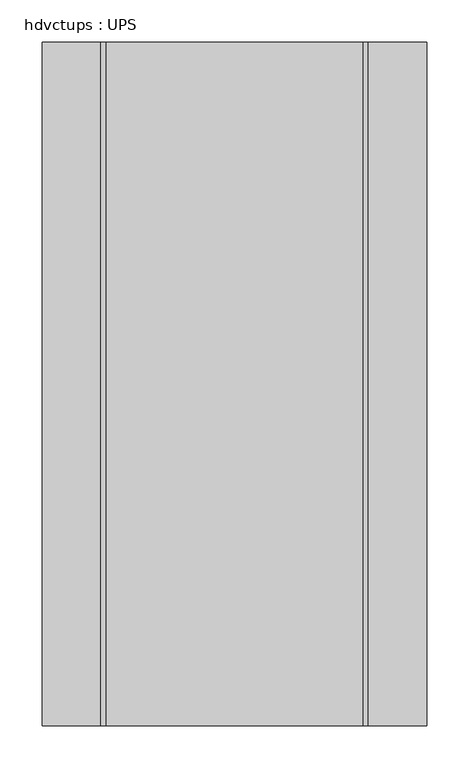
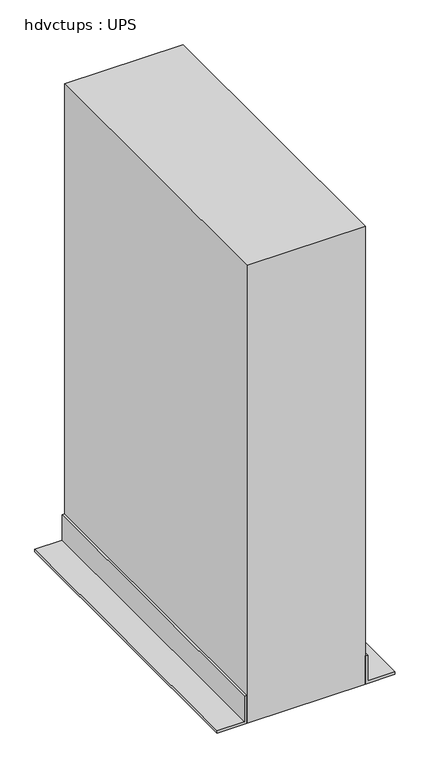
"""IFC4 building model written with IfcOpenShell, lengths in millimetres: proxy geometry, hdvctups : UPS."""

from ifc_helpers import new_model, si_unit, frame, origin, origin_with_axes, place, context, project, spatial, polyline, outline, extrude, source, transform, mapped, element, save


def hdvctups_ups_021a3566(model_context):
    return source(origin(), model_context, "Body", "SweptSolid", [
        extrude(outline(polyline([(152.4, 0.0), (152.4, -812.8), (-152.4, -812.8), (-152.4, 0.0), (152.4, 0.0)])), origin_with_axes(), (0.0, 0.0, 1.0), 1244.6),
        extrude(outline(polyline([(0.0, 228.6), (6.35, 228.6), (6.35, 158.75), (76.2, 158.75), (76.2, 152.4), (0.0, 152.4), (0.0, 228.6)])), frame((0.0, -812.8, 0.0), z_axis=(0.0, 1.0, 0.0), x_axis=(0.0, 0.0, 1.0)), (0.0, 0.0, 1.0), 812.8),
        extrude(outline(polyline([(0.0, -228.6), (0.0, -152.4), (76.2, -152.4), (76.2, -158.75), (6.35, -158.75), (6.35, -228.6), (0.0, -228.6)])), frame((0.0, -812.8, 0.0), z_axis=(0.0, 1.0, 0.0), x_axis=(0.0, 0.0, 1.0)), (0.0, 0.0, 1.0), 812.8),
    ])


if __name__ == "__main__":
    model = new_model("IFC4")
    model_context = context("Model", 3, world=origin())
    ifc_project = project(units=[si_unit("LENGTHUNIT", "METRE", prefix="MILLI")], contexts=[model_context])
    site = spatial("IfcSite", under=ifc_project)
    building = spatial("IfcBuilding", under=site)
    placement = place(None, origin())
    hdvctups_ups_shape = hdvctups_ups_021a3566(model_context)
    element("IfcBuildingElementProxy", 1, Name="hdvctups : UPS", ObjectType="hdvctups : UPS", at=placement, inside=building, context=model_context, shape_type="MappedRepresentation", body=[
        mapped(hdvctups_ups_shape, transform((0.0, 0.0, 0.0), x_axis=(1.0, 0.0, 0.0), y_axis=(0.0, 1.0, 0.0), z_axis=(0.0, 0.0, 1.0))),
    ])
    save(model, "model.ifc")
